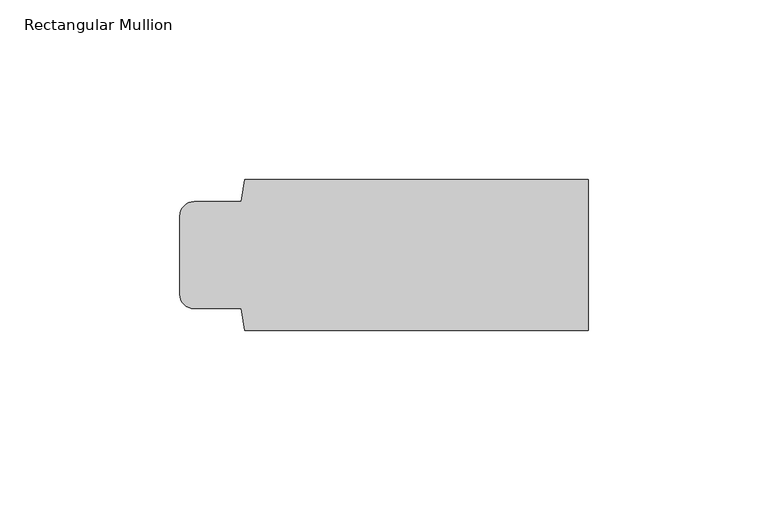
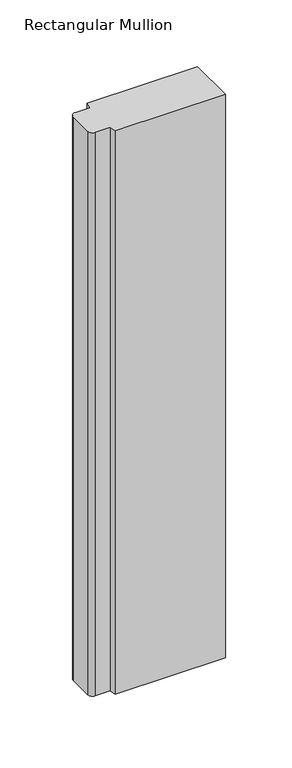
"""IFC4 building model written with IfcOpenShell, lengths in millimetres: member geometry, Rectangular Mullion."""

from ifc_helpers import new_model, si_unit, point, frame, frame_2d, origin, place, context, project, spatial, polyline, circle_curve, trimmed, segment, composite_curve, outline, extrude, source, transform, mapped, element, save


def rectangular_mullion_474e9016(model_context):
    return source(origin(), model_context, "Body", "SweptSolid", [
        extrude(outline(composite_curve([segment(polyline([(0.0, 21.0), (0.0, -21.0), (-95.5, -21.0), (-96.5, -14.9), (-109.5, -14.9)]), True, "CONTINUOUS"), segment(trimmed(circle_curve(frame_2d((-109.5, -10.9)), 4.0), [point((-109.5, -14.9))], [point((-113.5, -10.9))], False, "CARTESIAN"), True, "CONTINUOUS"), segment(polyline([(-113.5, -10.9), (-113.5, 10.9)]), True, "CONTINUOUS"), segment(trimmed(circle_curve(frame_2d((-109.5, 10.9)), 4.0), [point((-113.5, 10.9))], [point((-109.5, 14.9))], False, "CARTESIAN"), True, "CONTINUOUS"), segment(polyline([(-109.5, 14.9), (-96.5, 14.9), (-95.5, 21.0), (0.0, 21.0)]), True, "CONTINUOUS")], self_intersect=False)), frame((0.0, 0.0, -515.9843753), z_axis=(0.0, 0.0, 1.0), x_axis=(1.0, 0.0, 0.0)), (0.0, 0.0, 1.0), 515.9843753),
    ])


if __name__ == "__main__":
    model = new_model("IFC4")
    model_context = context("Model", 3, world=origin())
    ifc_project = project(units=[si_unit("LENGTHUNIT", "METRE", prefix="MILLI")], contexts=[model_context])
    site = spatial("IfcSite", under=ifc_project)
    building = spatial("IfcBuilding", under=site)
    placement = place(None, origin())
    rectangular_mullion_shape = rectangular_mullion_474e9016(model_context)
    element("IfcMember", 1, ObjectType="Rectangular Mullion", at=placement, inside=building, context=model_context, shape_type="MappedRepresentation", body=[
        mapped(rectangular_mullion_shape, transform((0.0, 0.0, 0.0), x_axis=(1.0, 0.0, 0.0), y_axis=(0.0, 1.0, 0.0), z_axis=(0.0, 0.0, 1.0))),
    ])
    save(model, "model.ifc")
